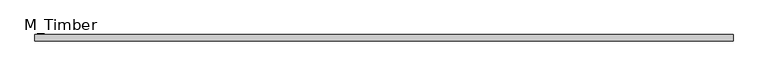
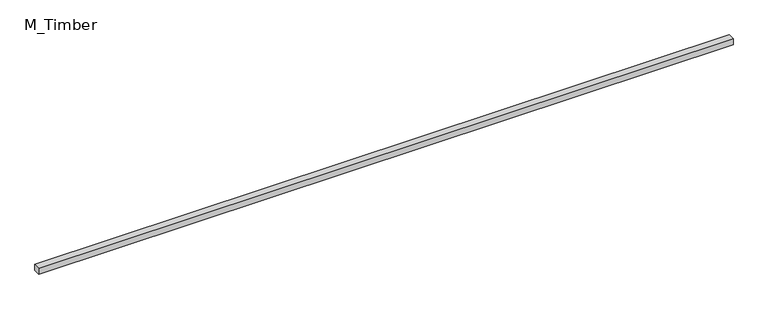
"""IFC4 building model written with IfcOpenShell, lengths in millimetres: beam geometry, M_Timber."""

from ifc_helpers import new_model, si_unit, frame, origin, place, context, project, spatial, polyline, outline, extrude, source, transform, mapped, element, save


def m_timber_174c26b5(model_context):
    return source(origin(), model_context, "Body", "SweptSolid", [
        extrude(outline(polyline([(2185.3069629, 20.0), (2185.3069629, -20.0), (-2185.3069629, -20.0), (-2185.3069629, 20.0), (2185.3069629, 20.0)])), frame((0.0, 0.0, -20.0), z_axis=(0.0, 0.0, 1.0), x_axis=(1.0, 0.0, 0.0)), (0.0, 0.0, 1.0), 40.0),
    ])


if __name__ == "__main__":
    model = new_model("IFC4")
    model_context = context("Model", 3, world=origin())
    ifc_project = project(units=[si_unit("LENGTHUNIT", "METRE", prefix="MILLI")], contexts=[model_context])
    site = spatial("IfcSite", under=ifc_project)
    building = spatial("IfcBuilding", under=site)
    placement = place(None, origin())
    m_timber_shape = m_timber_174c26b5(model_context)
    element("IfcBeam", 1, ObjectType="M_Timber", at=placement, inside=building, context=model_context, shape_type="MappedRepresentation", body=[
        mapped(m_timber_shape, transform((0.0, 0.0, 0.0), x_axis=(1.0, 0.0, 0.0), y_axis=(0.0, 1.0, 0.0), z_axis=(0.0, 0.0, 1.0))),
    ])
    save(model, "model.ifc")
